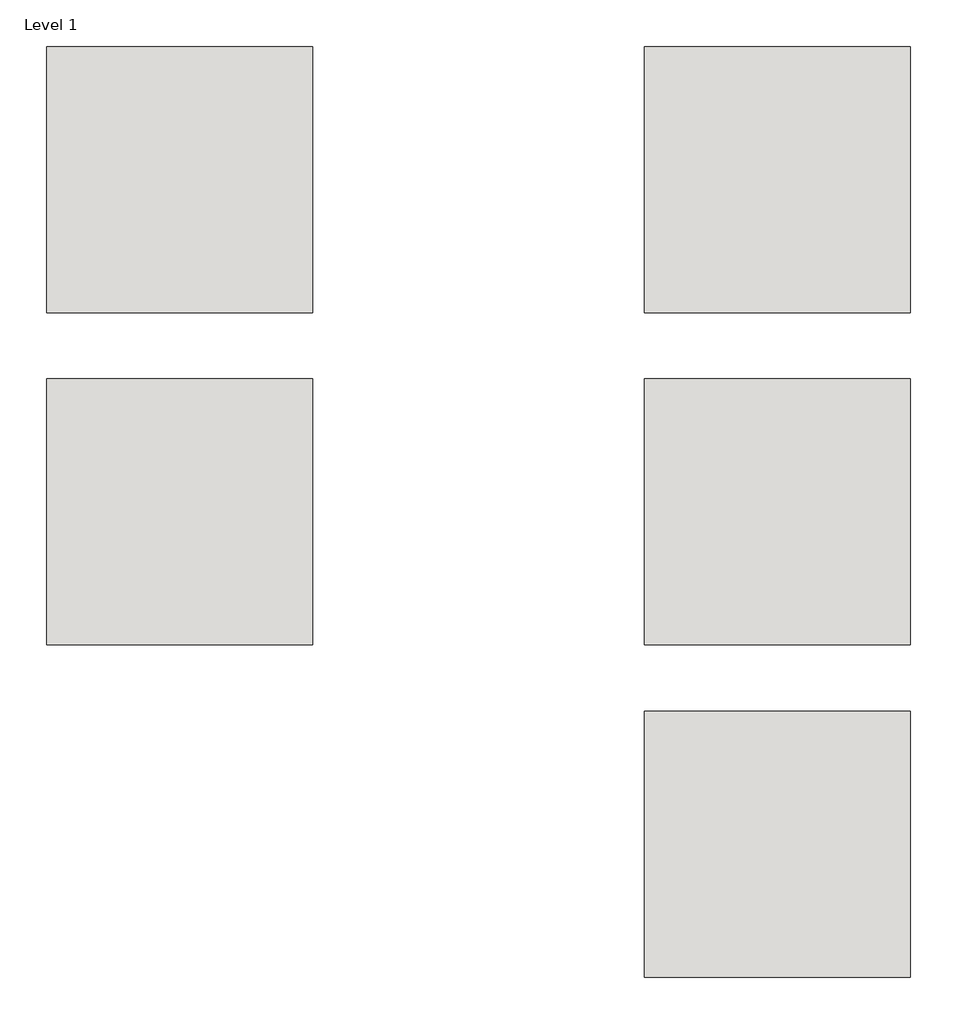
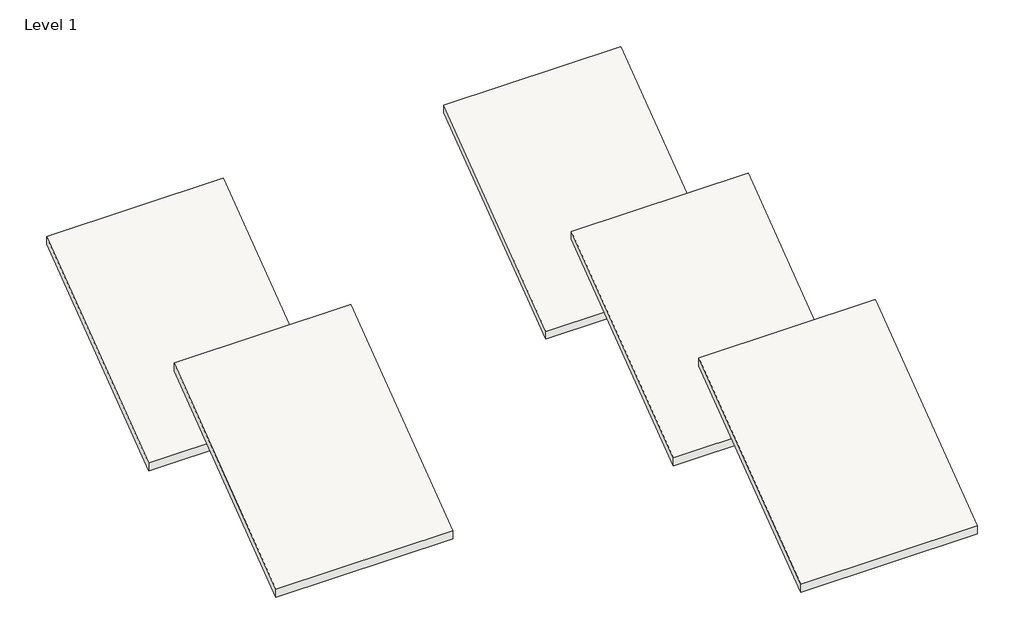
# One storey, part 6 of 10: 5 roofs.
"""IFC4 building model written with IfcOpenShell, lengths in millimetres."""

from ifc_helpers import new_model, si_unit, frame, origin, place, context, project, spatial, polyline, outline, extrude, element, save

model = new_model("IFC4")

# Units and contexts
model_context = context("Model", 3, world=origin())
ifc_project = project(units=[si_unit("LENGTHUNIT", "METRE", prefix="MILLI")], contexts=[model_context])

# Site, building, storey
site = spatial("IfcSite", under=ifc_project)
building = spatial("IfcBuilding", under=site)
storey = spatial("IfcBuildingStorey", under=building, Name="Level 1", Elevation=0.0)

# Roofs
placement = place(None, origin())
element("IfcRoof", 1, at=placement, inside=storey, context=model_context, shape_type="SweptSolid", body=[
    extrude(outline(polyline([(214733.0242732, -45942.0854012), (220829.0242732, -41370.0854012), (220829.0242732, -41655.8354012), (214733.0242732, -46227.8354012), (214733.0242732, -45942.0854012)])), frame((52955.5288668, 0.0, 0.0), z_axis=(1.0, 0.0, 0.0), x_axis=(0.0, 1.0, 0.0)), (0.0, 0.0, 1.0), 6096.0),
])
element("IfcRoof", 2, at=placement, inside=storey, context=model_context, shape_type="SweptSolid", body=[
    extrude(outline(polyline([(222353.0242732, -45942.0854012), (228449.0242732, -41370.0854012), (228449.0242732, -41655.8354012), (222353.0242732, -46227.8354012), (222353.0242732, -45942.0854012)])), frame((39239.5288668, 0.0, 0.0), z_axis=(1.0, 0.0, 0.0), x_axis=(0.0, 1.0, 0.0)), (0.0, 0.0, 1.0), 6096.0),
])
element("IfcRoof", 3, at=placement, inside=storey, context=model_context, shape_type="SweptSolid", body=[
    extrude(outline(polyline([(222353.0242732, -45942.0854012), (228449.0242732, -41370.0854012), (228449.0242732, -41655.8354012), (222353.0242732, -46227.8354012), (222353.0242732, -45942.0854012)])), frame((52955.5288668, 0.0, 0.0), z_axis=(1.0, 0.0, 0.0), x_axis=(0.0, 1.0, 0.0)), (0.0, 0.0, 1.0), 6096.0),
])
element("IfcRoof", 4, at=placement, inside=storey, context=model_context, shape_type="SweptSolid", body=[
    extrude(outline(polyline([(229973.0242732, -45942.0854012), (236069.0242732, -41370.0854012), (236069.0242732, -41655.8354012), (229973.0242732, -46227.8354012), (229973.0242732, -45942.0854012)])), frame((39239.5288668, 0.0, 0.0), z_axis=(1.0, 0.0, 0.0), x_axis=(0.0, 1.0, 0.0)), (0.0, 0.0, 1.0), 6096.0),
])
element("IfcRoof", 5, at=placement, inside=storey, context=model_context, shape_type="SweptSolid", body=[
    extrude(outline(polyline([(229973.0242732, -45942.0854012), (236069.0242732, -41370.0854012), (236069.0242732, -41655.8354012), (229973.0242732, -46227.8354012), (229973.0242732, -45942.0854012)])), frame((52955.5288668, 0.0, 0.0), z_axis=(1.0, 0.0, 0.0), x_axis=(0.0, 1.0, 0.0)), (0.0, 0.0, 1.0), 6096.0),
])

save(model, "model.ifc")
